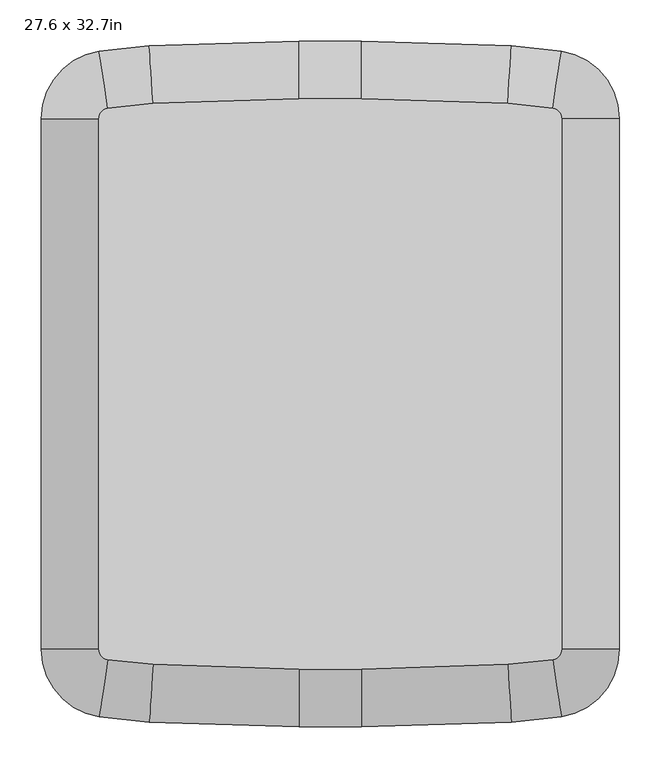
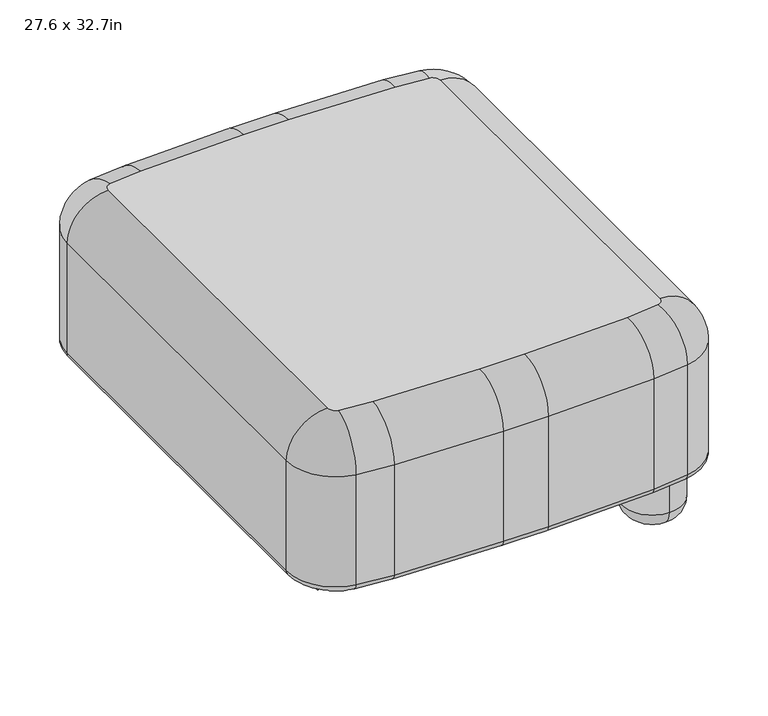
"""IFC4 building model written with IfcOpenShell, lengths in millimetres: furniture geometry, 27.6 x 32.7in."""

from ifc_helpers import new_model, si_unit, point, frame, frame_2d, origin, place, context, project, spatial, polyline, circle_curve, ellipse_curve, trimmed, segment, composite_curve, outline, extrude, source, transform, mapped, element, save
from ifc_brep_helpers import plane_surface, cylinder_surface, revolved_surface, advanced_brep


def furniture_27_6_x_32_7in_6c3f3465(model_context):
    return source(origin(), model_context, "Body", "SolidModel", [
        extrude(outline(composite_curve([segment(trimmed(circle_curve(frame_2d((123.19, 275.83)), 3.81), [point((127.0, 275.83))], [point((123.19, 272.02))], False, "CARTESIAN"), True, "CONTINUOUS"), segment(polyline([(123.19, 272.02), (74.93, 272.02)]), True, "CONTINUOUS"), segment(trimmed(circle_curve(frame_2d((74.93, 275.83)), 3.81), [point((74.93, 272.02))], [point((71.12, 275.83))], False, "CARTESIAN"), True, "CONTINUOUS"), segment(polyline([(71.12, 275.83), (71.12, 298.21)]), True, "CONTINUOUS"), segment(trimmed(circle_curve(frame_2d((74.93, 298.21)), 3.81), [point((71.12, 298.21))], [point((74.93, 302.02))], False, "CARTESIAN"), True, "CONTINUOUS"), segment(polyline([(74.93, 302.02), (123.19, 302.02)]), True, "CONTINUOUS"), segment(trimmed(circle_curve(frame_2d((123.19, 298.21)), 3.81), [point((123.19, 302.02))], [point((127.0, 298.21))], False, "CARTESIAN"), True, "CONTINUOUS"), segment(polyline([(127.0, 298.21), (127.0, 275.83)]), True, "CONTINUOUS")], self_intersect=False)), frame((0.0, -288.29, 0.0), z_axis=(0.0, 1.0, 0.0), x_axis=(0.0, 0.0, 1.0)), (0.0, 0.0, 1.0), 576.58),
        advanced_brep(
        [(287.02, 288.29, 127.0), (287.02, 237.49, 127.0), (287.02, 339.09, 127.0), (287.02, 237.49, 31.75), (287.02, 339.09, 31.75), (287.02, 269.24, 0.0), (287.02, 307.34, 0.0), (287.02, 288.29, 0.0)],
        [
            (0, 1),
            (1, 2, circle_curve(frame((287.02, 288.29, 127.0), z_axis=(0.0, 0.0, 1.0), x_axis=(0.0, 1.0, 0.0)), 50.8)),
            (2, 0),
            (2, 1, circle_curve(frame((287.02, 288.29, 127.0), z_axis=(0.0, 0.0, 1.0), x_axis=(0.0, 1.0, 0.0)), 50.8)),
            (1, 3),
            (3, 4, circle_curve(frame((287.02, 288.29, 31.75), z_axis=(0.0, 0.0, 1.0), x_axis=(0.0, 1.0, 0.0)), 50.8)),
            (4, 2),
            (4, 3, circle_curve(frame((287.02, 288.29, 31.75), z_axis=(0.0, 0.0, 1.0), x_axis=(0.0, 1.0, 0.0)), 50.8)),
            (3, 5, circle_curve(frame((287.02, 269.24, 31.75), z_axis=(1.0, 0.0, 0.0), x_axis=(0.0, -1.0, 0.0)), 31.75)),
            (5, 6, circle_curve(frame((287.02, 288.29, 0.0), z_axis=(0.0, 0.0, 1.0), x_axis=(0.0, 1.0, 0.0)), 19.05)),
            (6, 4, circle_curve(frame((287.02, 307.34, 31.75), z_axis=(1.0, 0.0, 0.0), x_axis=(0.0, 1.0, 0.0)), 31.75)),
            (6, 5, circle_curve(frame((287.02, 288.29, 0.0), z_axis=(0.0, 0.0, 1.0), x_axis=(0.0, 1.0, 0.0)), 19.05)),
            (5, 7),
            (7, 6),
        ],
        [
            plane_surface(frame((287.02, 288.29, 127.0), z_axis=(0.0, 0.0, 1.0), x_axis=(0.0, 1.0, 0.0))),
            cylinder_surface(frame((287.02, 288.29, 153.52), z_axis=(0.0, 0.0, 1.0), x_axis=(0.0, 1.0, 0.0)), 50.8),
            revolved_surface(trimmed(ellipse_curve(frame((287.02, 307.34, 31.75), z_axis=(1.0, 0.0, 0.0), x_axis=(0.0, 1.0, 0.0)), 31.75, 31.75), [point((287.02, 307.34, 0.0))], [point((287.02, 339.09, 31.75))], True, "CARTESIAN"), (287.02, 288.29, 153.52), (0.0, 0.0, 1.0)),
            plane_surface(frame((287.02, 288.29, 0.0), z_axis=(0.0, 0.0, -1.0), x_axis=(0.0, 1.0, 0.0))),
        ],
        [
            (0, [[1, 2, 3]]),
            (0, [[-3, 4, -1]]),
            (1, [[5, 6, 7, -2]]),
            (1, [[-7, 8, -5, -4]]),
            (2, [[9, 10, 11, -6]]),
            (2, [[-11, 12, -9, -8]]),
            (3, [[13, 14, -10]]),
            (3, [[-14, -13, -12]]),
        ],
    ),
        advanced_brep(
        [(287.02, -237.49, 127.0), (287.02, -288.29, 127.0), (287.02, -339.09, 127.0), (287.02, -237.49, 31.75), (287.02, -339.09, 31.75), (287.02, -269.24, 0.0), (287.02, -307.34, 0.0), (287.02, -288.29, 0.0)],
        [
            (0, 1),
            (1, 2),
            (2, 0, circle_curve(frame((287.02, -288.29, 127.0), z_axis=(0.0, 0.0, 1.0), x_axis=(0.0, -1.0, 0.0)), 50.8)),
            (0, 2, circle_curve(frame((287.02, -288.29, 127.0), z_axis=(0.0, 0.0, 1.0), x_axis=(0.0, -1.0, 0.0)), 50.8)),
            (3, 0),
            (2, 4),
            (4, 3, circle_curve(frame((287.02, -288.29, 31.75), z_axis=(0.0, 0.0, 1.0), x_axis=(0.0, -1.0, 0.0)), 50.8)),
            (3, 4, circle_curve(frame((287.02, -288.29, 31.75), z_axis=(0.0, 0.0, 1.0), x_axis=(0.0, -1.0, 0.0)), 50.8)),
            (5, 3, circle_curve(frame((287.02, -269.24, 31.75), z_axis=(1.0, 0.0, 0.0), x_axis=(0.0, 1.0, 0.0)), 31.75)),
            (4, 6, circle_curve(frame((287.02, -307.34, 31.75), z_axis=(1.0, 0.0, 0.0), x_axis=(0.0, -1.0, 0.0)), 31.75)),
            (6, 5, circle_curve(frame((287.02, -288.29, 0.0), z_axis=(0.0, 0.0, 1.0), x_axis=(0.0, -1.0, 0.0)), 19.05)),
            (5, 6, circle_curve(frame((287.02, -288.29, 0.0), z_axis=(0.0, 0.0, 1.0), x_axis=(0.0, -1.0, 0.0)), 19.05)),
            (7, 5),
            (6, 7),
        ],
        [
            plane_surface(frame((287.02, -288.29, 127.0), z_axis=(0.0, 0.0, 1.0), x_axis=(0.0, -1.0, 0.0))),
            cylinder_surface(frame((287.02, -288.29, 153.52), z_axis=(0.0, 0.0, -1.0), x_axis=(0.0, -1.0, 0.0)), 50.8),
            revolved_surface(trimmed(ellipse_curve(frame((287.02, -307.34, 31.75), z_axis=(1.0, 0.0, 0.0), x_axis=(0.0, -1.0, 0.0)), 31.75, 31.75), [point((287.02, -339.09, 31.75))], [point((287.02, -307.34, 0.0))], True, "CARTESIAN"), (287.02, -288.29, 153.52), (0.0, 0.0, -1.0)),
            plane_surface(frame((287.02, -288.29, 0.0), z_axis=(0.0, 0.0, -1.0), x_axis=(0.0, -1.0, 0.0))),
        ],
        [
            (0, [[1, 2, 3]]),
            (0, [[-2, -1, 4]]),
            (1, [[5, -3, 6, 7]]),
            (1, [[-6, -4, -5, 8]]),
            (2, [[9, -7, 10, 11]]),
            (2, [[-10, -8, -9, 12]]),
            (3, [[13, -11, 14]]),
            (3, [[-14, -12, -13]]),
        ],
    ),
        extrude(outline(composite_curve([segment(polyline([(277.1, 127.0), (299.48, 127.0)]), True, "CONTINUOUS"), segment(trimmed(circle_curve(frame_2d((299.48, 123.19)), 3.81), [point((299.48, 127.0))], [point((303.29, 123.19))], False, "CARTESIAN"), True, "CONTINUOUS"), segment(polyline([(303.29, 123.19), (303.29, 74.93)]), True, "CONTINUOUS"), segment(trimmed(circle_curve(frame_2d((299.48, 74.93)), 3.81), [point((303.29, 74.93))], [point((299.48, 71.12))], False, "CARTESIAN"), True, "CONTINUOUS"), segment(polyline([(299.48, 71.12), (277.1, 71.12)]), True, "CONTINUOUS"), segment(trimmed(circle_curve(frame_2d((277.1, 74.93)), 3.81), [point((277.1, 71.12))], [point((273.29, 74.93))], False, "CARTESIAN"), True, "CONTINUOUS"), segment(polyline([(273.29, 74.93), (273.29, 123.19)]), True, "CONTINUOUS"), segment(trimmed(circle_curve(frame_2d((277.1, 123.19)), 3.81), [point((273.29, 123.19))], [point((277.1, 127.0))], False, "CARTESIAN"), True, "CONTINUOUS")], self_intersect=False)), frame((-287.02, 0.0, 0.0), z_axis=(1.0, 0.0, 0.0), x_axis=(0.0, 1.0, 0.0)), (0.0, 0.0, 1.0), 574.04),
        extrude(outline(composite_curve([segment(polyline([(-299.48, 127.0), (-277.1, 127.0)]), True, "CONTINUOUS"), segment(trimmed(circle_curve(frame_2d((-277.1, 123.19)), 3.81), [point((-277.1, 127.0))], [point((-273.29, 123.19))], False, "CARTESIAN"), True, "CONTINUOUS"), segment(polyline([(-273.29, 123.19), (-273.29, 74.93)]), True, "CONTINUOUS"), segment(trimmed(circle_curve(frame_2d((-277.1, 74.93)), 3.81), [point((-273.29, 74.93))], [point((-277.1, 71.12))], False, "CARTESIAN"), True, "CONTINUOUS"), segment(polyline([(-277.1, 71.12), (-299.48, 71.12)]), True, "CONTINUOUS"), segment(trimmed(circle_curve(frame_2d((-299.48, 74.93)), 3.81), [point((-299.48, 71.12))], [point((-303.29, 74.93))], False, "CARTESIAN"), True, "CONTINUOUS"), segment(polyline([(-303.29, 74.93), (-303.29, 123.19)]), True, "CONTINUOUS"), segment(trimmed(circle_curve(frame_2d((-299.48, 123.19)), 3.81), [point((-303.29, 123.19))], [point((-299.48, 127.0))], False, "CARTESIAN"), True, "CONTINUOUS")], self_intersect=False)), frame((-287.02, 0.0, 0.0), z_axis=(1.0, 0.0, 0.0), x_axis=(0.0, 1.0, 0.0)), (0.0, 0.0, 1.0), 574.04),
        advanced_brep(
        [(-280.2517982, -403.1636253, 139.7), (-350.52, -321.5323817, 139.7), (-337.82, -321.5323817, 127.0), (-278.3622908, -390.6049724, 127.0), (-280.2517982, -403.1636253, 336.55), (-350.52, -321.5323817, 336.55), (-218.6519754, -396.951287, 127.0), (-219.444455, -409.6265376, 139.7), (-219.444455, -409.6265376, 336.55), (-38.1, -402.59, 127.0), (-38.1, -415.29, 139.7), (-38.1, -415.29, 336.55), (38.1, -402.59, 127.0), (38.1, -415.29, 139.7), (38.1, -415.29, 336.55), (218.6519754, -396.951287, 127.0), (219.444455, -409.6265376, 139.7), (219.444455, -409.6265376, 336.55), (278.3622908, -390.6049724, 127.0), (280.2517982, -403.1636253, 139.7), (280.2517982, -403.1636253, 336.55), (337.82, -321.5323817, 127.0), (350.52, -321.5323817, 139.7), (350.52, -321.5323817, 336.55), (337.82, 321.5323817, 127.0), (350.52, 321.5323817, 139.7), (350.52, 321.5323817, 336.55), (278.3622908, 390.6049724, 127.0), (280.2517982, 403.1636253, 139.7), (280.2517982, 403.1636253, 336.55), (218.6519754, 396.951287, 127.0), (219.444455, 409.6265376, 139.7), (219.444455, 409.6265376, 336.55), (38.1, 402.59, 127.0), (38.1, 415.29, 139.7), (38.1, 415.29, 336.55), (-38.1, 402.59, 127.0), (-38.1, 415.29, 139.7), (-38.1, 415.29, 336.55), (-218.6519754, 396.951287, 127.0), (-219.444455, 409.6265376, 139.7), (-219.444455, 409.6265376, 336.55), (-278.3622908, 390.6049724, 127.0), (-280.2517982, 403.1636253, 139.7), (-280.2517982, 403.1636253, 336.55), (-337.82, 321.5323817, 127.0), (-350.52, 321.5323817, 139.7), (-350.52, 321.5323817, 336.55), (-215.0858173, 339.9126596, 406.4), (-269.8595074, 334.0910345, 406.4), (-280.67, 321.5323817, 406.4), (-280.67, -321.5323817, 406.4), (-269.8595074, -334.0910345, 406.4), (-215.0858173, -339.9126596, 406.4), (-38.1, -345.44, 406.4), (38.1, -345.44, 406.4), (215.0858173, -339.9126596, 406.4), (269.8595074, -334.0910345, 406.4), (280.67, -321.5323817, 406.4), (280.67, 321.5323817, 406.4), (269.8595074, 334.0910345, 406.4), (215.0858173, 339.9126596, 406.4), (38.1, 345.44, 406.4), (-38.1, 345.44, 406.4)],
        [
            (0, 1, circle_curve(frame((-267.97, -321.5323817, 139.7), z_axis=(0.0, 0.0, -1.0), x_axis=(-1.0, 0.0, 0.0)), 82.55)),
            (1, 2, circle_curve(frame((-337.82, -321.5323817, 139.7), z_axis=(0.0, -1.0, 0.0), x_axis=(1.0, 0.0, 0.0)), 12.7)),
            (2, 3, circle_curve(frame((-267.97, -321.5323817, 127.0), z_axis=(0.0, 0.0, 1.0), x_axis=(-1.0, 0.0, 0.0)), 69.85)),
            (3, 0, circle_curve(frame((-278.3622908, -390.6049724, 139.7), z_axis=(-0.988870304083689, 0.1487801119149752, 0.0), x_axis=(0.1487801119149752, 0.988870304083689, 0.0)), 12.7)),
            (0, 4),
            (4, 5, circle_curve(frame((-267.97, -321.5323817, 336.55), z_axis=(0.0, 0.0, -1.0), x_axis=(-1.0, 0.0, 0.0)), 82.55)),
            (5, 1),
            (3, 6, circle_curve(frame((-175.5179687, 292.952089, 127.0), z_axis=(0.0, 0.0, 1.0), x_axis=(-0.14878011191497612, -0.9888703040836888, 0.0)), 691.2504689)),
            (6, 7, circle_curve(frame((-218.6519754, -396.951287, 139.7), z_axis=(-0.9980512231710863, 0.06239996736135857, 0.0), x_axis=(0.06239996736135857, 0.9980512231710863, 0.0)), 12.7)),
            (7, 0, circle_curve(frame((-175.5179687, 292.952089, 139.7), z_axis=(0.0, 0.0, -1.0), x_axis=(-0.14878011191497612, -0.9888703040836888, 0.0)), 703.9504689)),
            (7, 8),
            (8, 4, circle_curve(frame((-175.5179687, 292.952089, 336.55), z_axis=(0.0, 0.0, -1.0), x_axis=(-0.14878011191497612, -0.9888703040836888, 0.0)), 703.9504689)),
            (6, 9, circle_curve(frame((-38.1, 2490.8726576, 127.0), z_axis=(0.0, 0.0, 1.0), x_axis=(-0.062399967361358485, -0.9980512231710862, 0.0)), 2893.4626576)),
            (9, 10, circle_curve(frame((-38.1, -402.59, 139.7), z_axis=(-0.9999999999999999, 0.0, 0.0), x_axis=(0.0, 0.9999999999999999, 0.0)), 12.7)),
            (10, 7, circle_curve(frame((-38.1, 2490.8726576, 139.7), z_axis=(0.0, 0.0, -1.0), x_axis=(-0.062399967361358485, -0.9980512231710862, 0.0)), 2906.1626576)),
            (10, 11),
            (11, 8, circle_curve(frame((-38.1, 2490.8726576, 336.55), z_axis=(0.0, 0.0, -1.0), x_axis=(-0.062399967361358485, -0.9980512231710862, 0.0)), 2906.1626576)),
            (9, 12),
            (12, 13, circle_curve(frame((38.1, -402.59, 139.7), z_axis=(-1.0, 0.0, 0.0), x_axis=(0.0, 1.0, 0.0)), 12.7)),
            (13, 10),
            (13, 14),
            (14, 11),
            (12, 15, circle_curve(frame((38.1, 2490.8726576, 127.0), z_axis=(0.0, 0.0, 1.0), x_axis=(0.0, -1.0, 0.0)), 2893.4626576)),
            (15, 16, circle_curve(frame((218.6519754, -396.951287, 139.7), z_axis=(-0.9980512231710863, -0.06239996736135682, 0.0), x_axis=(-0.06239996736135682, 0.9980512231710863, 0.0)), 12.7)),
            (16, 13, circle_curve(frame((38.1, 2490.8726576, 139.7), z_axis=(0.0, 0.0, -1.0), x_axis=(0.0, -1.0, 0.0)), 2906.1626576)),
            (16, 17),
            (17, 14, circle_curve(frame((38.1, 2490.8726576, 336.55), z_axis=(0.0, 0.0, -1.0), x_axis=(0.0, -1.0, 0.0)), 2906.1626576)),
            (15, 18, circle_curve(frame((175.5179687, 292.952089, 127.0), z_axis=(0.0, 0.0, 1.0), x_axis=(0.062399967361352164, -0.9980512231710866, 0.0)), 691.2504689)),
            (18, 19, circle_curve(frame((278.3622908, -390.6049724, 139.7), z_axis=(-0.9888703040836846, -0.14878011191500326, 0.0), x_axis=(-0.14878011191500326, 0.9888703040836846, 0.0)), 12.7)),
            (19, 16, circle_curve(frame((175.5179687, 292.952089, 139.7), z_axis=(0.0, 0.0, -1.0), x_axis=(0.062399967361352164, -0.9980512231710866, 0.0)), 703.9504689)),
            (19, 20),
            (20, 17, circle_curve(frame((175.5179687, 292.952089, 336.55), z_axis=(0.0, 0.0, -1.0), x_axis=(0.062399967361352164, -0.9980512231710866, 0.0)), 703.9504689)),
            (18, 21, circle_curve(frame((267.97, -321.5323817, 127.0), z_axis=(0.0, 0.0, 1.0), x_axis=(0.14878011191500345, -0.9888703040836847, 0.0)), 69.85)),
            (21, 22, circle_curve(frame((337.82, -321.5323817, 139.7), z_axis=(0.0, -1.0, 0.0), x_axis=(-1.0, 0.0, 0.0)), 12.7)),
            (22, 19, circle_curve(frame((267.97, -321.5323817, 139.7), z_axis=(0.0, 0.0, -1.0), x_axis=(0.14878011191500345, -0.9888703040836847, 0.0)), 82.55)),
            (22, 23),
            (23, 20, circle_curve(frame((267.97, -321.5323817, 336.55), z_axis=(0.0, 0.0, -1.0), x_axis=(0.14878011191500345, -0.9888703040836847, 0.0)), 82.55)),
            (21, 24),
            (24, 25, circle_curve(frame((337.82, 321.5323817, 139.7), z_axis=(0.0, -1.0, 0.0), x_axis=(-1.0, 0.0, 0.0)), 12.7)),
            (25, 22),
            (25, 26),
            (26, 23),
            (24, 27, circle_curve(frame((267.97, 321.5323817, 127.0), z_axis=(0.0, 0.0, 1.0), x_axis=(1.0, 0.0, 0.0)), 69.85)),
            (27, 28, circle_curve(frame((278.3622908, 390.6049724, 139.7), z_axis=(0.9888703040836847, -0.14878011191500387, 0.0), x_axis=(-0.14878011191500387, -0.9888703040836847, 0.0)), 12.7)),
            (28, 25, circle_curve(frame((267.97, 321.5323817, 139.7), z_axis=(0.0, 0.0, -1.0), x_axis=(1.0, 0.0, 0.0)), 82.55)),
            (28, 29),
            (29, 26, circle_curve(frame((267.97, 321.5323817, 336.55), z_axis=(0.0, 0.0, -1.0), x_axis=(1.0, 0.0, 0.0)), 82.55)),
            (27, 30, circle_curve(frame((175.5179687, -292.952089, 127.0), z_axis=(0.0, 0.0, 1.0), x_axis=(0.14878011191500345, 0.9888703040836847, 0.0)), 691.2504689)),
            (30, 31, circle_curve(frame((218.6519754, 396.951287, 139.7), z_axis=(0.9980512231710862, -0.06239996736135908, 0.0), x_axis=(-0.06239996736135908, -0.9980512231710862, 0.0)), 12.7)),
            (31, 28, circle_curve(frame((175.5179687, -292.952089, 139.7), z_axis=(0.0, 0.0, -1.0), x_axis=(0.14878011191500345, 0.9888703040836847, 0.0)), 703.9504689)),
            (31, 32),
            (32, 29, circle_curve(frame((175.5179687, -292.952089, 336.55), z_axis=(0.0, 0.0, -1.0), x_axis=(0.14878011191500345, 0.9888703040836847, 0.0)), 703.9504689)),
            (30, 33, circle_curve(frame((38.1, -2490.8726576, 127.0), z_axis=(0.0, 0.0, 1.0), x_axis=(0.06239996736135861, 0.9980512231710862, 0.0)), 2893.4626576)),
            (33, 34, circle_curve(frame((38.1, 402.59, 139.7), z_axis=(1.0, 0.0, 0.0), x_axis=(0.0, -1.0, 0.0)), 12.7)),
            (34, 31, circle_curve(frame((38.1, -2490.8726576, 139.7), z_axis=(0.0, 0.0, -1.0), x_axis=(0.06239996736135861, 0.9980512231710862, 0.0)), 2906.1626576)),
            (34, 35),
            (35, 32, circle_curve(frame((38.1, -2490.8726576, 336.55), z_axis=(0.0, 0.0, -1.0), x_axis=(0.06239996736135861, 0.9980512231710862, 0.0)), 2906.1626576)),
            (33, 36),
            (36, 37, circle_curve(frame((-38.1, 402.59, 139.7), z_axis=(1.0, 0.0, 0.0), x_axis=(0.0, -1.0, 0.0)), 12.7)),
            (37, 34),
            (37, 38),
            (38, 35),
            (36, 39, circle_curve(frame((-38.1, -2490.8726576, 127.0), z_axis=(0.0, 0.0, 1.0), x_axis=(0.0, 1.0, 0.0)), 2893.4626576)),
            (39, 40, circle_curve(frame((-218.6519754, 396.951287, 139.7), z_axis=(0.9980512231710863, 0.06239996736135681, 0.0), x_axis=(0.06239996736135681, -0.9980512231710863, 0.0)), 12.7)),
            (40, 37, circle_curve(frame((-38.1, -2490.8726576, 139.7), z_axis=(0.0, 0.0, -1.0), x_axis=(0.0, 1.0, 0.0)), 2906.1626576)),
            (40, 41),
            (41, 38, circle_curve(frame((-38.1, -2490.8726576, 336.55), z_axis=(0.0, 0.0, -1.0), x_axis=(0.0, 1.0, 0.0)), 2906.1626576)),
            (39, 42, circle_curve(frame((-175.5179687, -292.952089, 127.0), z_axis=(0.0, 0.0, 1.0), x_axis=(-0.06239996736135204, 0.9980512231710866, 0.0)), 691.2504689)),
            (42, 43, circle_curve(frame((-278.3622908, 390.6049724, 139.7), z_axis=(0.9888703040836888, 0.14878011191497595, 0.0), x_axis=(0.14878011191497595, -0.9888703040836888, 0.0)), 12.7)),
            (43, 40, circle_curve(frame((-175.5179687, -292.952089, 139.7), z_axis=(0.0, 0.0, -1.0), x_axis=(-0.06239996736135204, 0.9980512231710866, 0.0)), 703.9504689)),
            (43, 44),
            (44, 41, circle_curve(frame((-175.5179687, -292.952089, 336.55), z_axis=(0.0, 0.0, -1.0), x_axis=(-0.06239996736135204, 0.9980512231710866, 0.0)), 703.9504689)),
            (42, 45, circle_curve(frame((-267.97, 321.5323817, 127.0), z_axis=(0.0, 0.0, 1.0), x_axis=(-0.14878011191497523, 0.9888703040836889, 0.0)), 69.85)),
            (45, 46, circle_curve(frame((-337.82, 321.5323817, 139.7), z_axis=(0.0, 1.0, 0.0), x_axis=(1.0, 0.0, 0.0)), 12.7)),
            (46, 43, circle_curve(frame((-267.97, 321.5323817, 139.7), z_axis=(0.0, 0.0, -1.0), x_axis=(-0.14878011191497523, 0.9888703040836889, 0.0)), 82.55)),
            (46, 47),
            (47, 44, circle_curve(frame((-267.97, 321.5323817, 336.55), z_axis=(0.0, 0.0, -1.0), x_axis=(-0.14878011191497523, 0.9888703040836889, 0.0)), 82.55)),
            (48, 49, circle_curve(frame((-175.5179687, -292.952089, 406.4), z_axis=(0.0, 0.0, 1.0), x_axis=(-0.06239996736135204, 0.9980512231710866, 0.0)), 634.1004689)),
            (49, 50, circle_curve(frame((-267.97, 321.5323817, 406.4), z_axis=(0.0, 0.0, 1.0), x_axis=(-0.14878011191497523, 0.9888703040836889, 0.0)), 12.7)),
            (50, 51),
            (51, 52, circle_curve(frame((-267.97, -321.5323817, 406.4), z_axis=(0.0, 0.0, 1.0), x_axis=(-1.0, 0.0, 0.0)), 12.7)),
            (52, 53, circle_curve(frame((-175.5179687, 292.952089, 406.4), z_axis=(0.0, 0.0, 1.0), x_axis=(-0.14878011191497612, -0.9888703040836888, 0.0)), 634.1004689)),
            (53, 54, circle_curve(frame((-38.1, 2490.8726576, 406.4), z_axis=(0.0, 0.0, 1.0), x_axis=(-0.062399967361358485, -0.9980512231710862, 0.0)), 2836.3126576)),
            (54, 55),
            (55, 56, circle_curve(frame((38.1, 2490.8726576, 406.4), z_axis=(0.0, 0.0, 1.0), x_axis=(0.0, -1.0, 0.0)), 2836.3126576)),
            (56, 57, circle_curve(frame((175.5179687, 292.952089, 406.4), z_axis=(0.0, 0.0, 1.0), x_axis=(0.062399967361352164, -0.9980512231710866, 0.0)), 634.1004689)),
            (57, 58, circle_curve(frame((267.97, -321.5323817, 406.4), z_axis=(0.0, 0.0, 1.0), x_axis=(0.14878011191500345, -0.9888703040836847, 0.0)), 12.7)),
            (58, 59),
            (59, 60, circle_curve(frame((267.97, 321.5323817, 406.4), z_axis=(0.0, 0.0, 1.0), x_axis=(1.0, 0.0, 0.0)), 12.7)),
            (60, 61, circle_curve(frame((175.5179687, -292.952089, 406.4), z_axis=(0.0, 0.0, 1.0), x_axis=(0.14878011191500345, 0.9888703040836847, 0.0)), 634.1004689)),
            (61, 62, circle_curve(frame((38.1, -2490.8726576, 406.4), z_axis=(0.0, 0.0, 1.0), x_axis=(0.06239996736135861, 0.9980512231710862, 0.0)), 2836.3126576)),
            (62, 63),
            (63, 48, circle_curve(frame((-38.1, -2490.8726576, 406.4), z_axis=(0.0, 0.0, 1.0), x_axis=(0.0, 1.0, 0.0)), 2836.3126576)),
            (2, 45),
            (1, 46),
            (5, 47),
            (4, 52, circle_curve(frame((-269.8595074, -334.0910345, 336.55), z_axis=(-0.988870304083689, 0.14878011191497542, 0.0), x_axis=(0.14878011191497542, 0.988870304083689, 0.0)), 69.85)),
            (51, 5, circle_curve(frame((-280.67, -321.5323817, 336.55), z_axis=(0.0, -1.0, 0.0), x_axis=(1.0, 0.0, 0.0)), 69.85)),
            (8, 53, circle_curve(frame((-215.0858173, -339.9126596, 336.55), z_axis=(-0.9980512231710862, 0.062399967361358596, 0.0), x_axis=(0.062399967361358596, 0.9980512231710862, 0.0)), 69.85)),
            (11, 54, circle_curve(frame((-38.1, -345.44, 336.55), z_axis=(-0.9999999999999999, 0.0, 0.0), x_axis=(0.0, 0.9999999999999999, 0.0)), 69.85)),
            (14, 55, circle_curve(frame((38.1, -345.44, 336.55), z_axis=(-1.0, 0.0, 0.0), x_axis=(0.0, 1.0, 0.0)), 69.85)),
            (17, 56, circle_curve(frame((215.0858173, -339.9126596, 336.55), z_axis=(-0.9980512231710863, -0.0623999673613568, 0.0), x_axis=(-0.0623999673613568, 0.9980512231710863, 0.0)), 69.85)),
            (20, 57, circle_curve(frame((269.8595074, -334.0910345, 336.55), z_axis=(-0.9888703040836846, -0.14878011191500332, 0.0), x_axis=(-0.14878011191500332, 0.9888703040836846, 0.0)), 69.85)),
            (23, 58, circle_curve(frame((280.67, -321.5323817, 336.55), z_axis=(0.0, -1.0, 0.0), x_axis=(-1.0, 0.0, 0.0)), 69.85)),
            (26, 59, circle_curve(frame((280.67, 321.5323817, 336.55), z_axis=(0.0, -1.0, 0.0), x_axis=(-1.0, 0.0, 0.0)), 69.85)),
            (29, 60, circle_curve(frame((269.8595074, 334.0910345, 336.55), z_axis=(0.9888703040836847, -0.1487801119150041, 0.0), x_axis=(-0.1487801119150041, -0.9888703040836847, 0.0)), 69.85)),
            (32, 61, circle_curve(frame((215.0858173, 339.9126596, 336.55), z_axis=(0.9980512231710862, -0.06239996736135908, 0.0), x_axis=(-0.06239996736135908, -0.9980512231710862, 0.0)), 69.85)),
            (35, 62, circle_curve(frame((38.1, 345.44, 336.55), z_axis=(1.0, 0.0, 0.0), x_axis=(0.0, -1.0, 0.0)), 69.85)),
            (38, 63, circle_curve(frame((-38.1, 345.44, 336.55), z_axis=(1.0, 0.0, 0.0), x_axis=(0.0, -1.0, 0.0)), 69.85)),
            (41, 48, circle_curve(frame((-215.0858173, 339.9126596, 336.55), z_axis=(0.9980512231710863, 0.062399967361356785, 0.0), x_axis=(0.062399967361356785, -0.9980512231710863, 0.0)), 69.85)),
            (44, 49, circle_curve(frame((-269.8595074, 334.0910345, 336.55), z_axis=(0.9888703040836888, 0.14878011191497598, 0.0), x_axis=(0.14878011191497598, -0.9888703040836888, 0.0)), 69.85)),
            (47, 50, circle_curve(frame((-280.67, 321.5323817, 336.55), z_axis=(0.0, 1.0, 0.0), x_axis=(1.0, 0.0, 0.0)), 69.85)),
        ],
        [
            revolved_surface(trimmed(ellipse_curve(frame((-337.82, -321.5323817, 139.7), z_axis=(0.0, 1.0, 0.0), x_axis=(1.0, 0.0, 0.0)), 12.7, 12.7), [point((-337.82, -321.5323817, 127.0))], [point((-350.52, -321.5323817, 139.7))], True, "CARTESIAN"), (-267.97, -321.5323817, 0.0), (0.0, 0.0, 1.0)),
            cylinder_surface(frame((-267.97, -321.5323817, 0.0), z_axis=(0.0, 0.0, 1.0), x_axis=(-1.0, 0.0, 0.0)), 82.55),
            revolved_surface(trimmed(ellipse_curve(frame((-278.3622908, -390.6049724, 139.7), z_axis=(-0.9888703040836888, 0.1487801119149763, 0.0), x_axis=(0.1487801119149763, 0.9888703040836888, 0.0)), 12.7, 12.7), [point((-278.3622908, -390.6049724, 127.0))], [point((-280.2517982, -403.1636253, 139.7))], True, "CARTESIAN"), (-175.5179687, 292.952089, 0.0), (0.0, 0.0, 1.0)),
            cylinder_surface(frame((-175.5179687, 292.952089, 0.0), z_axis=(0.0, 0.0, 1.0), x_axis=(-0.14878011191497612, -0.9888703040836888, 0.0)), 703.9504689),
            revolved_surface(trimmed(ellipse_curve(frame((-218.6519754, -396.951287, 139.7), z_axis=(-0.9980512231710862, 0.06239996736135868, 0.0), x_axis=(0.06239996736135868, 0.9980512231710862, 0.0)), 12.7, 12.7), [point((-218.6519754, -396.951287, 127.0))], [point((-219.444455, -409.6265376, 139.7))], True, "CARTESIAN"), (-38.1, 2490.8726576, 0.0), (0.0, 0.0, 1.0)),
            cylinder_surface(frame((-38.1, 2490.8726576, 0.0), z_axis=(0.0, 0.0, 1.0), x_axis=(-0.062399967361358485, -0.9980512231710862, 0.0)), 2906.1626576),
            cylinder_surface(frame((-38.1, -402.59, 139.7), z_axis=(-1.0, 0.0, 0.0), x_axis=(0.0, 1.0, 0.0)), 12.7),
            plane_surface(frame((-38.1, -415.29, 139.7), z_axis=(0.0, -1.0, 0.0), x_axis=(1.0, 0.0, 0.0))),
            revolved_surface(trimmed(ellipse_curve(frame((38.1, -402.59, 139.7), z_axis=(-1.0, 0.0, 0.0), x_axis=(0.0, 1.0, 0.0)), 12.7, 12.7), [point((38.1, -402.59, 127.0))], [point((38.1, -415.29, 139.7))], True, "CARTESIAN"), (38.1, 2490.8726576, 0.0), (0.0, 0.0, 1.0)),
            cylinder_surface(frame((38.1, 2490.8726576, 0.0), z_axis=(0.0, 0.0, 1.0), x_axis=(0.0, -1.0, 0.0)), 2906.1626576),
            revolved_surface(trimmed(ellipse_curve(frame((218.6519754, -396.951287, 139.7), z_axis=(-0.9980512231710866, -0.06239996736135197, 0.0), x_axis=(-0.06239996736135197, 0.9980512231710866, 0.0)), 12.7, 12.7), [point((218.6519754, -396.951287, 127.0))], [point((219.444455, -409.6265376, 139.7))], True, "CARTESIAN"), (175.5179687, 292.952089, 0.0), (0.0, 0.0, 1.0)),
            cylinder_surface(frame((175.5179687, 292.952089, 0.0), z_axis=(0.0, 0.0, 1.0), x_axis=(0.062399967361352164, -0.9980512231710866, 0.0)), 703.9504689),
            revolved_surface(trimmed(ellipse_curve(frame((278.3622908, -390.6049724, 139.7), z_axis=(-0.9888703040836847, -0.14878011191500326, 0.0), x_axis=(-0.14878011191500326, 0.9888703040836847, 0.0)), 12.7, 12.7), [point((278.3622908, -390.6049724, 127.0))], [point((280.2517982, -403.1636253, 139.7))], True, "CARTESIAN"), (267.97, -321.5323817, 0.0), (0.0, 0.0, 1.0)),
            cylinder_surface(frame((267.97, -321.5323817, 0.0), z_axis=(0.0, 0.0, 1.0), x_axis=(0.14878011191500345, -0.9888703040836847, 0.0)), 82.55),
            cylinder_surface(frame((337.82, -321.5323817, 139.7), z_axis=(0.0, -1.0, 0.0), x_axis=(-1.0, 0.0, 0.0)), 12.7),
            plane_surface(frame((350.52, -321.5323817, 139.7), z_axis=(1.0, 0.0, 0.0), x_axis=(0.0, 1.0, 0.0))),
            revolved_surface(trimmed(ellipse_curve(frame((337.82, 321.5323817, 139.7), z_axis=(0.0, -1.0, 0.0), x_axis=(-1.0, 0.0, 0.0)), 12.7, 12.7), [point((337.82, 321.5323817, 127.0))], [point((350.52, 321.5323817, 139.7))], True, "CARTESIAN"), (267.97, 321.5323817, 0.0), (0.0, 0.0, 1.0)),
            cylinder_surface(frame((267.97, 321.5323817, 0.0), z_axis=(0.0, 0.0, 1.0), x_axis=(1.0, 0.0, 0.0)), 82.55),
            revolved_surface(trimmed(ellipse_curve(frame((278.3622908, 390.6049724, 139.7), z_axis=(0.9888703040836847, -0.14878011191500362, 0.0), x_axis=(-0.14878011191500362, -0.9888703040836847, 0.0)), 12.7, 12.7), [point((278.3622908, 390.6049724, 127.0))], [point((280.2517982, 403.1636253, 139.7))], True, "CARTESIAN"), (175.5179687, -292.952089, 0.0), (0.0, 0.0, 1.0)),
            cylinder_surface(frame((175.5179687, -292.952089, 0.0), z_axis=(0.0, 0.0, 1.0), x_axis=(0.14878011191500345, 0.9888703040836847, 0.0)), 703.9504689),
            revolved_surface(trimmed(ellipse_curve(frame((218.6519754, 396.951287, 139.7), z_axis=(0.9980512231710862, -0.06239996736135877, 0.0), x_axis=(-0.06239996736135877, -0.9980512231710862, 0.0)), 12.7, 12.7), [point((218.6519754, 396.951287, 127.0))], [point((219.444455, 409.6265376, 139.7))], True, "CARTESIAN"), (38.1, -2490.8726576, 0.0), (0.0, 0.0, 1.0)),
            cylinder_surface(frame((38.1, -2490.8726576, 0.0), z_axis=(0.0, 0.0, 1.0), x_axis=(0.06239996736135861, 0.9980512231710862, 0.0)), 2906.1626576),
            cylinder_surface(frame((38.1, 402.59, 139.7), z_axis=(1.0, 0.0, 0.0), x_axis=(0.0, -1.0, 0.0)), 12.7),
            plane_surface(frame((38.1, 415.29, 139.7), z_axis=(0.0, 1.0, 0.0), x_axis=(-1.0, 0.0, 0.0))),
            revolved_surface(trimmed(ellipse_curve(frame((-38.1, 402.59, 139.7), z_axis=(1.0, 0.0, 0.0), x_axis=(0.0, -1.0, 0.0)), 12.7, 12.7), [point((-38.1, 402.59, 127.0))], [point((-38.1, 415.29, 139.7))], True, "CARTESIAN"), (-38.1, -2490.8726576, 0.0), (0.0, 0.0, 1.0)),
            cylinder_surface(frame((-38.1, -2490.8726576, 0.0), z_axis=(0.0, 0.0, 1.0), x_axis=(0.0, 1.0, 0.0)), 2906.1626576),
            revolved_surface(trimmed(ellipse_curve(frame((-218.6519754, 396.951287, 139.7), z_axis=(0.9980512231710866, 0.06239996736135188, 0.0), x_axis=(0.06239996736135188, -0.9980512231710866, 0.0)), 12.7, 12.7), [point((-218.6519754, 396.951287, 127.0))], [point((-219.444455, 409.6265376, 139.7))], True, "CARTESIAN"), (-175.5179687, -292.952089, 0.0), (0.0, 0.0, 1.0)),
            cylinder_surface(frame((-175.5179687, -292.952089, 0.0), z_axis=(0.0, 0.0, 1.0), x_axis=(-0.06239996736135204, 0.9980512231710866, 0.0)), 703.9504689),
            revolved_surface(trimmed(ellipse_curve(frame((-278.3622908, 390.6049724, 139.7), z_axis=(0.9888703040836889, 0.14878011191497503, 0.0), x_axis=(0.14878011191497503, -0.9888703040836889, 0.0)), 12.7, 12.7), [point((-278.3622908, 390.6049724, 127.0))], [point((-280.2517982, 403.1636253, 139.7))], True, "CARTESIAN"), (-267.97, 321.5323817, 0.0), (0.0, 0.0, 1.0)),
            cylinder_surface(frame((-267.97, 321.5323817, 0.0), z_axis=(0.0, 0.0, 1.0), x_axis=(-0.14878011191497523, 0.9888703040836889, 0.0)), 82.55),
            plane_surface(frame((-280.67, 321.5323817, 406.4), z_axis=(0.0, 0.0, 1.0), x_axis=(0.0, -1.0, 0.0))),
            plane_surface(frame((-274.32, 321.5323817, 127.0), z_axis=(0.0, 0.0, -1.0), x_axis=(0.0, -1.0, 0.0))),
            cylinder_surface(frame((-337.82, 321.5323817, 139.7), z_axis=(0.0, 1.0, 0.0), x_axis=(1.0, 0.0, 0.0)), 12.7),
            plane_surface(frame((-350.52, 321.5323817, 139.7), z_axis=(-1.0, 0.0, 0.0), x_axis=(0.0, -1.0, 0.0))),
            revolved_surface(trimmed(ellipse_curve(frame((-280.67, -321.5323817, 336.55), z_axis=(0.0, 1.0, 0.0), x_axis=(1.0, 0.0, 0.0)), 69.85, 69.85), [point((-350.52, -321.5323817, 336.55))], [point((-280.67, -321.5323817, 406.4))], True, "CARTESIAN"), (-267.97, -321.5323817, 0.0), (0.0, 0.0, 1.0)),
            revolved_surface(trimmed(ellipse_curve(frame((-269.8595074, -334.0910345, 336.55), z_axis=(-0.9888703040836888, 0.1487801119149763, 0.0), x_axis=(0.1487801119149763, 0.9888703040836888, 0.0)), 69.85, 69.85), [point((-280.2517982, -403.1636253, 336.55))], [point((-269.8595074, -334.0910345, 406.4))], True, "CARTESIAN"), (-175.5179687, 292.952089, 0.0), (0.0, 0.0, 1.0)),
            revolved_surface(trimmed(ellipse_curve(frame((-215.0858173, -339.9126596, 336.55), z_axis=(-0.9980512231710862, 0.06239996736135868, 0.0), x_axis=(0.06239996736135868, 0.9980512231710862, 0.0)), 69.85, 69.85), [point((-219.444455, -409.6265376, 336.55))], [point((-215.0858173, -339.9126596, 406.4))], True, "CARTESIAN"), (-38.1, 2490.8726576, 0.0), (0.0, 0.0, 1.0)),
            cylinder_surface(frame((-38.1, -345.44, 336.55), z_axis=(-1.0, 0.0, 0.0), x_axis=(0.0, 1.0, 0.0)), 69.85),
            revolved_surface(trimmed(ellipse_curve(frame((38.1, -345.44, 336.55), z_axis=(-1.0, 0.0, 0.0), x_axis=(0.0, 1.0, 0.0)), 69.85, 69.85), [point((38.1, -415.29, 336.55))], [point((38.1, -345.44, 406.4))], True, "CARTESIAN"), (38.1, 2490.8726576, 0.0), (0.0, 0.0, 1.0)),
            revolved_surface(trimmed(ellipse_curve(frame((215.0858173, -339.9126596, 336.55), z_axis=(-0.9980512231710866, -0.06239996736135197, 0.0), x_axis=(-0.06239996736135197, 0.9980512231710866, 0.0)), 69.85, 69.85), [point((219.444455, -409.6265376, 336.55))], [point((215.0858173, -339.9126596, 406.4))], True, "CARTESIAN"), (175.5179687, 292.952089, 0.0), (0.0, 0.0, 1.0)),
            revolved_surface(trimmed(ellipse_curve(frame((269.8595074, -334.0910345, 336.55), z_axis=(-0.9888703040836847, -0.14878011191500326, 0.0), x_axis=(-0.14878011191500326, 0.9888703040836847, 0.0)), 69.85, 69.85), [point((280.2517982, -403.1636253, 336.55))], [point((269.8595074, -334.0910345, 406.4))], True, "CARTESIAN"), (267.97, -321.5323817, 0.0), (0.0, 0.0, 1.0)),
            cylinder_surface(frame((280.67, -321.5323817, 336.55), z_axis=(0.0, -1.0, 0.0), x_axis=(-1.0, 0.0, 0.0)), 69.85),
            revolved_surface(trimmed(ellipse_curve(frame((280.67, 321.5323817, 336.55), z_axis=(0.0, -1.0, 0.0), x_axis=(-1.0, 0.0, 0.0)), 69.85, 69.85), [point((350.52, 321.5323817, 336.55))], [point((280.67, 321.5323817, 406.4))], True, "CARTESIAN"), (267.97, 321.5323817, 0.0), (0.0, 0.0, 1.0)),
            revolved_surface(trimmed(ellipse_curve(frame((269.8595074, 334.0910345, 336.55), z_axis=(0.9888703040836847, -0.14878011191500362, 0.0), x_axis=(-0.14878011191500362, -0.9888703040836847, 0.0)), 69.85, 69.85), [point((280.2517982, 403.1636253, 336.55))], [point((269.8595074, 334.0910345, 406.4))], True, "CARTESIAN"), (175.5179687, -292.952089, 0.0), (0.0, 0.0, 1.0)),
            revolved_surface(trimmed(ellipse_curve(frame((215.0858173, 339.9126596, 336.55), z_axis=(0.9980512231710862, -0.06239996736135877, 0.0), x_axis=(-0.06239996736135877, -0.9980512231710862, 0.0)), 69.85, 69.85), [point((219.444455, 409.6265376, 336.55))], [point((215.0858173, 339.9126596, 406.4))], True, "CARTESIAN"), (38.1, -2490.8726576, 0.0), (0.0, 0.0, 1.0)),
            cylinder_surface(frame((38.1, 345.44, 336.55), z_axis=(1.0, 0.0, 0.0), x_axis=(0.0, -1.0, 0.0)), 69.85),
            revolved_surface(trimmed(ellipse_curve(frame((-38.1, 345.44, 336.55), z_axis=(1.0, 0.0, 0.0), x_axis=(0.0, -1.0, 0.0)), 69.85, 69.85), [point((-38.1, 415.29, 336.55))], [point((-38.1, 345.44, 406.4))], True, "CARTESIAN"), (-38.1, -2490.8726576, 0.0), (0.0, 0.0, 1.0)),
            revolved_surface(trimmed(ellipse_curve(frame((-215.0858173, 339.9126596, 336.55), z_axis=(0.9980512231710866, 0.06239996736135188, 0.0), x_axis=(0.06239996736135188, -0.9980512231710866, 0.0)), 69.85, 69.85), [point((-219.444455, 409.6265376, 336.55))], [point((-215.0858173, 339.9126596, 406.4))], True, "CARTESIAN"), (-175.5179687, -292.952089, 0.0), (0.0, 0.0, 1.0)),
            revolved_surface(trimmed(ellipse_curve(frame((-269.8595074, 334.0910345, 336.55), z_axis=(0.9888703040836889, 0.14878011191497503, 0.0), x_axis=(0.14878011191497503, -0.9888703040836889, 0.0)), 69.85, 69.85), [point((-280.2517982, 403.1636253, 336.55))], [point((-269.8595074, 334.0910345, 406.4))], True, "CARTESIAN"), (-267.97, 321.5323817, 0.0), (0.0, 0.0, 1.0)),
            cylinder_surface(frame((-280.67, 321.5323817, 336.55), z_axis=(0.0, 1.0, 0.0), x_axis=(1.0, 0.0, 0.0)), 69.85),
        ],
        [
            (0, [[1, 2, 3, 4]]),
            (1, [[-1, 5, 6, 7]]),
            (2, [[-4, 8, 9, 10]]),
            (3, [[-5, -10, 11, 12]]),
            (4, [[-9, 13, 14, 15]]),
            (5, [[-11, -15, 16, 17]]),
            (6, [[-14, 18, 19, 20]]),
            (7, [[-16, -20, 21, 22]]),
            (8, [[-19, 23, 24, 25]]),
            (9, [[-21, -25, 26, 27]]),
            (10, [[-24, 28, 29, 30]]),
            (11, [[-26, -30, 31, 32]]),
            (12, [[-29, 33, 34, 35]]),
            (13, [[-31, -35, 36, 37]]),
            (14, [[-34, 38, 39, 40]]),
            (15, [[-36, -40, 41, 42]]),
            (16, [[-39, 43, 44, 45]]),
            (17, [[-41, -45, 46, 47]]),
            (18, [[-44, 48, 49, 50]]),
            (19, [[-46, -50, 51, 52]]),
            (20, [[-49, 53, 54, 55]]),
            (21, [[-51, -55, 56, 57]]),
            (22, [[-54, 58, 59, 60]]),
            (23, [[-56, -60, 61, 62]]),
            (24, [[-59, 63, 64, 65]]),
            (25, [[-61, -65, 66, 67]]),
            (26, [[-64, 68, 69, 70]]),
            (27, [[-66, -70, 71, 72]]),
            (28, [[-69, 73, 74, 75]]),
            (29, [[-71, -75, 76, 77]]),
            (30, [[78, 79, 80, 81, 82, 83, 84, 85, 86, 87, 88, 89, 90, 91, 92, 93]]),
            (31, [[-3, 94, -73, -68, -63, -58, -53, -48, -43, -38, -33, -28, -23, -18, -13, -8]]),
            (32, [[-2, 95, -74, -94]]),
            (33, [[-7, 96, -76, -95]]),
            (34, [[-6, 97, -81, 98]]),
            (35, [[-12, 99, -82, -97]]),
            (36, [[-17, 100, -83, -99]]),
            (37, [[-22, 101, -84, -100]]),
            (38, [[-27, 102, -85, -101]]),
            (39, [[-32, 103, -86, -102]]),
            (40, [[-37, 104, -87, -103]]),
            (41, [[-42, 105, -88, -104]]),
            (42, [[-47, 106, -89, -105]]),
            (43, [[-52, 107, -90, -106]]),
            (44, [[-57, 108, -91, -107]]),
            (45, [[-62, 109, -92, -108]]),
            (46, [[-67, 110, -93, -109]]),
            (47, [[-72, 111, -78, -110]]),
            (48, [[-77, 112, -79, -111]]),
            (49, [[-80, -112, -96, -98]]),
        ],
    ),
    ])


if __name__ == "__main__":
    model = new_model("IFC4")
    model_context = context("Model", 3, world=origin())
    ifc_project = project(units=[si_unit("LENGTHUNIT", "METRE", prefix="MILLI")], contexts=[model_context])
    site = spatial("IfcSite", under=ifc_project)
    building = spatial("IfcBuilding", under=site)
    placement = place(None, origin())
    furniture_27_6_x_32_7in_shape = furniture_27_6_x_32_7in_6c3f3465(model_context)
    element("IfcFurniture", 1, ObjectType="27.6 x 32.7in", at=placement, inside=building, context=model_context, shape_type="MappedRepresentation", body=[
        mapped(furniture_27_6_x_32_7in_shape, transform((0.0, 0.0, 0.0), x_axis=(1.0, 0.0, 0.0), y_axis=(0.0, 1.0, 0.0), z_axis=(0.0, 0.0, 1.0))),
    ])
    save(model, "model.ifc")
